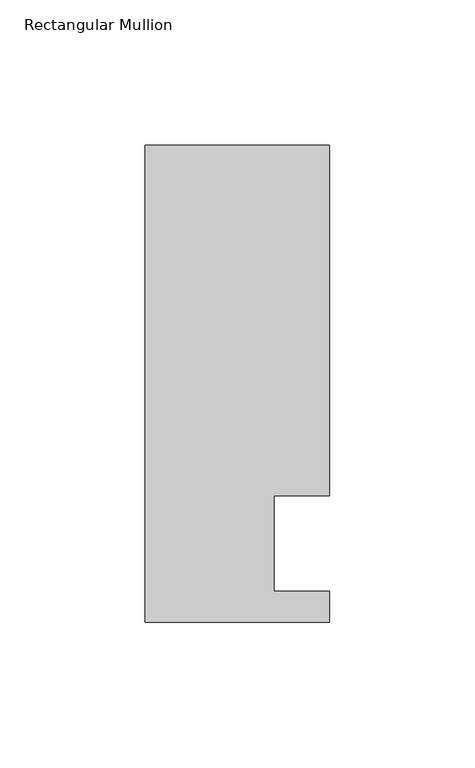
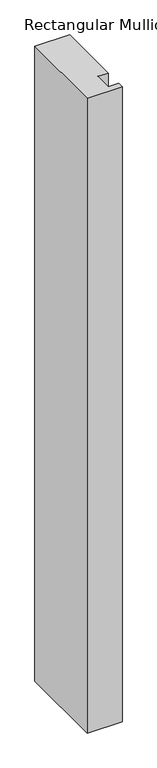
"""IFC4 building model written with IfcOpenShell, lengths in millimetres: member geometry, Rectangular Mullion."""

from ifc_helpers import new_model, si_unit, frame, origin, place, context, project, spatial, polyline, outline, extrude, source, transform, mapped, element, save


def rectangular_mullion_f3881e46(model_context):
    return source(origin(), model_context, "Body", "SweptSolid", [
        extrude(outline(polyline([(31.75, 152.4), (31.75, 31.75), (12.7, 31.75), (12.7, -1.016), (31.7691048, -1.016), (31.7691048, -11.684), (-31.75, -11.684), (-31.75, 152.4), (31.75, 152.4)])), frame((0.0, 0.0, -1219.2), z_axis=(0.0, 0.0, 1.0), x_axis=(1.0, 0.0, 0.0)), (0.0, 0.0, 1.0), 1219.2),
    ])


if __name__ == "__main__":
    model = new_model("IFC4")
    model_context = context("Model", 3, world=origin())
    ifc_project = project(units=[si_unit("LENGTHUNIT", "METRE", prefix="MILLI")], contexts=[model_context])
    site = spatial("IfcSite", under=ifc_project)
    building = spatial("IfcBuilding", under=site)
    placement = place(None, origin())
    rectangular_mullion_shape = rectangular_mullion_f3881e46(model_context)
    element("IfcMember", 1, ObjectType="Rectangular Mullion", at=placement, inside=building, context=model_context, shape_type="MappedRepresentation", body=[
        mapped(rectangular_mullion_shape, transform((0.0, 0.0, 0.0), x_axis=(1.0, 0.0, 0.0), y_axis=(0.0, 1.0, 0.0), z_axis=(0.0, 0.0, 1.0))),
    ])
    save(model, "model.ifc")
